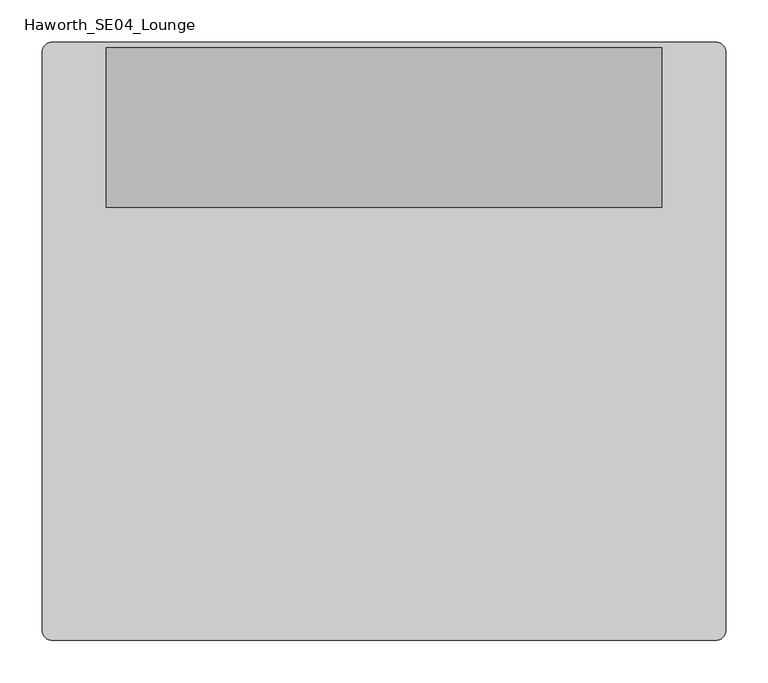
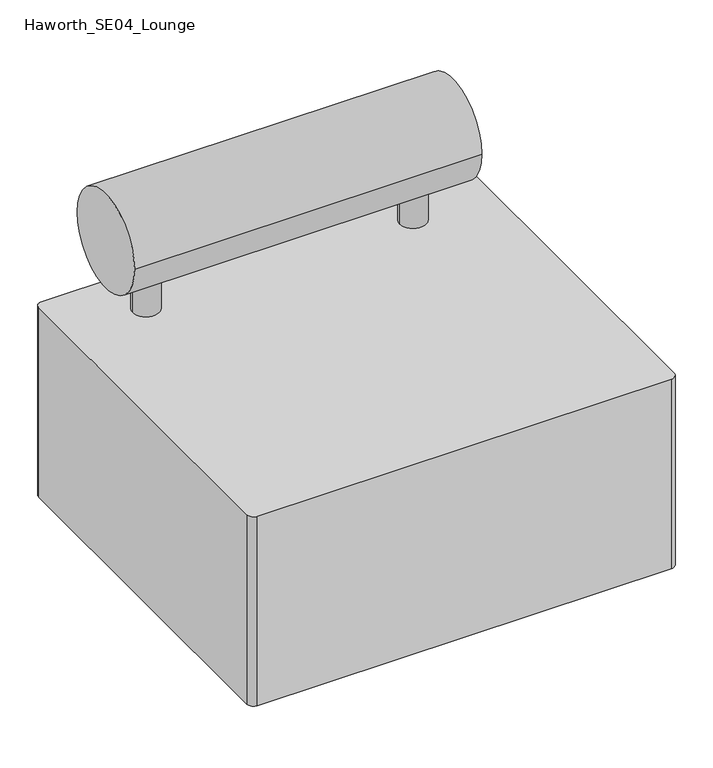
"""IFC4 building model written with IfcOpenShell, lengths in millimetres: furniture geometry, Haworth_SE04_Lounge."""

from ifc_helpers import new_model, si_unit, point, frame, frame_2d, origin, origin_with_axes, place, context, project, spatial, polyline, circle_curve, trimmed, segment, composite_curve, outline, extrude, source, transform, mapped, element, save


def haworth_se04_lounge_2299a52d(model_context):
    return source(origin(), model_context, "Body", "SweptSolid", [
        extrude(outline(composite_curve([segment(trimmed(circle_curve(frame_2d((254.0, 254.0)), 25.4), [point((279.4, 254.0))], [point((228.6, 254.0))], False, "CARTESIAN"), True, "CONTINUOUS"), segment(trimmed(circle_curve(frame_2d((254.0, 254.0)), 25.4), [point((228.6, 254.0))], [point((279.4, 254.0))], False, "CARTESIAN"), True, "CONTINUOUS")], self_intersect=False)), frame((0.0, 0.0, 431.8), z_axis=(0.0, 0.0, 1.0), x_axis=(1.0, 0.0, 0.0)), (0.0, 0.0, 1.0), 76.2),
        extrude(outline(composite_curve([segment(trimmed(circle_curve(frame_2d((-254.0, 254.0)), 25.4), [point((-279.4, 254.0))], [point((-228.6, 254.0))], False, "CARTESIAN"), True, "CONTINUOUS"), segment(trimmed(circle_curve(frame_2d((-254.0, 254.0)), 25.4), [point((-228.6, 254.0))], [point((-279.4, 254.0))], False, "CARTESIAN"), True, "CONTINUOUS")], self_intersect=False)), frame((0.0, 0.0, 431.8), z_axis=(0.0, 0.0, 1.0), x_axis=(1.0, 0.0, 0.0)), (0.0, 0.0, 1.0), 76.2),
        extrude(outline(composite_curve([segment(trimmed(circle_curve(frame_2d((-304.8, 254.0)), 34.925), [point((-339.725, 254.0))], [point((-269.875, 254.0))], False, "CARTESIAN"), True, "CONTINUOUS"), segment(trimmed(circle_curve(frame_2d((-304.8, 254.0)), 34.925), [point((-269.875, 254.0))], [point((-339.725, 254.0))], False, "CARTESIAN"), True, "CONTINUOUS")], self_intersect=False)), origin_with_axes(), (0.0, 0.0, 1.0), 50.8),
        extrude(outline(composite_curve([segment(trimmed(circle_curve(frame_2d((304.8, 254.0)), 38.1), [point((266.7, 254.0))], [point((342.9, 254.0))], False, "CARTESIAN"), True, "CONTINUOUS"), segment(trimmed(circle_curve(frame_2d((304.8, 254.0)), 38.1), [point((342.9, 254.0))], [point((266.7, 254.0))], False, "CARTESIAN"), True, "CONTINUOUS")], self_intersect=False)), origin_with_axes(), (0.0, 0.0, 1.0), 50.8),
        extrude(outline(composite_curve([segment(trimmed(circle_curve(frame_2d((304.8, -254.0)), 38.1), [point((266.7, -254.0))], [point((342.9, -254.0))], False, "CARTESIAN"), True, "CONTINUOUS"), segment(trimmed(circle_curve(frame_2d((304.8, -254.0)), 38.1), [point((342.9, -254.0))], [point((266.7, -254.0))], False, "CARTESIAN"), True, "CONTINUOUS")], self_intersect=False)), origin_with_axes(), (0.0, 0.0, 1.0), 50.8),
        extrude(outline(composite_curve([segment(trimmed(circle_curve(frame_2d((-304.8, -254.0)), 38.1), [point((-342.9, -254.0))], [point((-266.7, -254.0))], False, "CARTESIAN"), True, "CONTINUOUS"), segment(trimmed(circle_curve(frame_2d((-304.8, -254.0)), 38.1), [point((-266.7, -254.0))], [point((-342.9, -254.0))], False, "CARTESIAN"), True, "CONTINUOUS")], self_intersect=False)), origin_with_axes(), (0.0, 0.0, 1.0), 50.8),
        extrude(outline(composite_curve([segment(trimmed(circle_curve(frame_2d((393.7, 342.9)), 12.7), [point((393.7, 355.6))], [point((406.4, 342.9))], False, "CARTESIAN"), True, "CONTINUOUS"), segment(polyline([(406.4, 342.9), (406.4, -342.9)]), True, "CONTINUOUS"), segment(trimmed(circle_curve(frame_2d((393.7, -342.9)), 12.7), [point((406.4, -342.9))], [point((393.7, -355.6))], False, "CARTESIAN"), True, "CONTINUOUS"), segment(polyline([(393.7, -355.6), (-393.7, -355.6)]), True, "CONTINUOUS"), segment(trimmed(circle_curve(frame_2d((-393.7, -342.9)), 12.7), [point((-393.7, -355.6))], [point((-406.4, -342.9))], False, "CARTESIAN"), True, "CONTINUOUS"), segment(polyline([(-406.4, -342.9), (-406.4, 342.9)]), True, "CONTINUOUS"), segment(trimmed(circle_curve(frame_2d((-393.7, 342.9)), 12.7), [point((-406.4, 342.9))], [point((-393.7, 355.6))], False, "CARTESIAN"), True, "CONTINUOUS"), segment(polyline([(-393.7, 355.6), (393.7, 355.6)]), True, "CONTINUOUS")], self_intersect=False)), frame((0.0, 0.0, 50.8), z_axis=(0.0, 0.0, 1.0), x_axis=(1.0, 0.0, 0.0)), (0.0, 0.0, 1.0), 381.0),
        extrude(outline(composite_curve([segment(trimmed(circle_curve(frame_2d((254.0, 594.0414293)), 94.8175255), [point((159.1824745, 594.0414293))], [point((348.8175255, 594.0414293))], False, "CARTESIAN"), True, "CONTINUOUS"), segment(trimmed(circle_curve(frame_2d((254.0, 594.0414293)), 94.8175255), [point((348.8175255, 594.0414293))], [point((159.1824745, 594.0414293))], False, "CARTESIAN"), True, "CONTINUOUS")], self_intersect=False)), frame((-330.2, 0.0, 0.0), z_axis=(1.0, 0.0, 0.0), x_axis=(0.0, 1.0, 0.0)), (0.0, 0.0, 1.0), 660.4),
    ])


if __name__ == "__main__":
    model = new_model("IFC4")
    model_context = context("Model", 3, world=origin())
    ifc_project = project(units=[si_unit("LENGTHUNIT", "METRE", prefix="MILLI")], contexts=[model_context])
    site = spatial("IfcSite", under=ifc_project)
    building = spatial("IfcBuilding", under=site)
    placement = place(None, origin())
    haworth_se04_lounge_shape = haworth_se04_lounge_2299a52d(model_context)
    element("IfcFurniture", 1, ObjectType="Haworth_SE04_Lounge", at=placement, inside=building, context=model_context, shape_type="MappedRepresentation", body=[
        mapped(haworth_se04_lounge_shape, transform((0.0, 0.0, 0.0), x_axis=(1.0, 0.0, 0.0), y_axis=(0.0, 1.0, 0.0), z_axis=(0.0, 0.0, 1.0))),
    ])
    save(model, "model.ifc")
